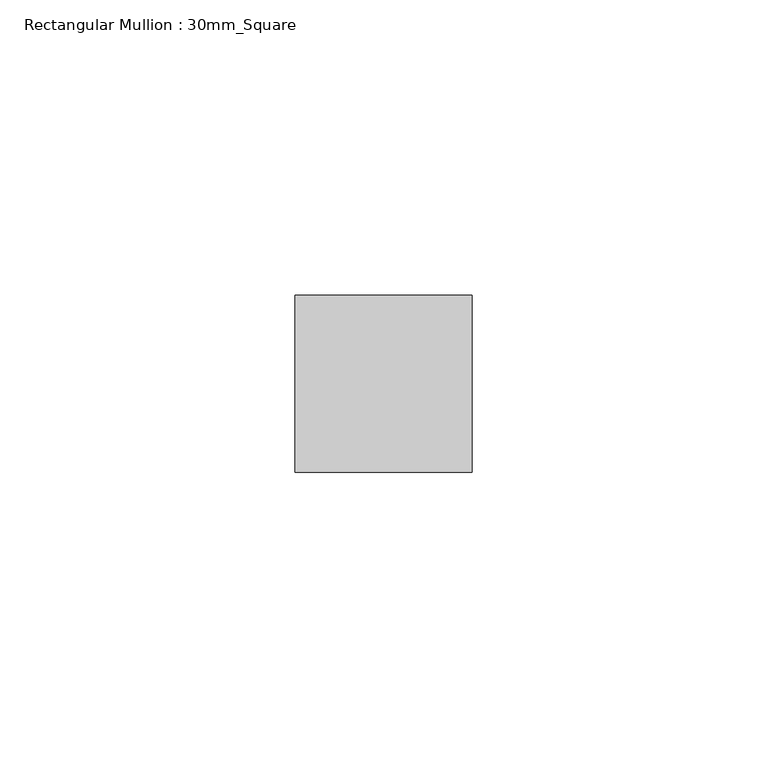
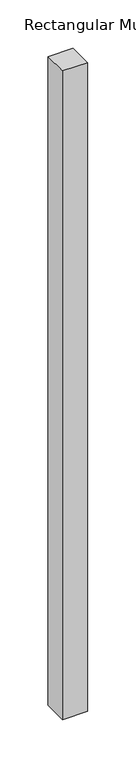
"""IFC4 building model written with IfcOpenShell, lengths in millimetres: member geometry, Rectangular Mullion : 30mm_Square."""

from ifc_helpers import new_model, si_unit, frame, origin, place, context, project, spatial, polyline, outline, extrude, source, transform, mapped, element, save


def rectangular_mullion_30mm_square_270af031(model_context):
    return source(origin(), model_context, "Body", "SweptSolid", [
        extrude(outline(polyline([(15.0, 15.0), (15.0, -15.0), (-15.0, -15.0), (-15.0, 15.0), (15.0, 15.0)])), frame((0.0, 0.0, -820.0), z_axis=(0.0, 0.0, 1.0), x_axis=(1.0, 0.0, 0.0)), (0.0, 0.0, 1.0), 820.0),
    ])


if __name__ == "__main__":
    model = new_model("IFC4")
    model_context = context("Model", 3, world=origin())
    ifc_project = project(units=[si_unit("LENGTHUNIT", "METRE", prefix="MILLI")], contexts=[model_context])
    site = spatial("IfcSite", under=ifc_project)
    building = spatial("IfcBuilding", under=site)
    placement = place(None, origin())
    rectangular_mullion_30mm_square_shape = rectangular_mullion_30mm_square_270af031(model_context)
    element("IfcMember", 1, ObjectType="Rectangular Mullion : 30mm_Square", at=placement, inside=building, context=model_context, shape_type="MappedRepresentation", body=[
        mapped(rectangular_mullion_30mm_square_shape, transform((0.0, 0.0, 0.0), x_axis=(1.0, 0.0, 0.0), y_axis=(0.0, 1.0, 0.0), z_axis=(0.0, 0.0, 1.0))),
    ])
    save(model, "model.ifc")
